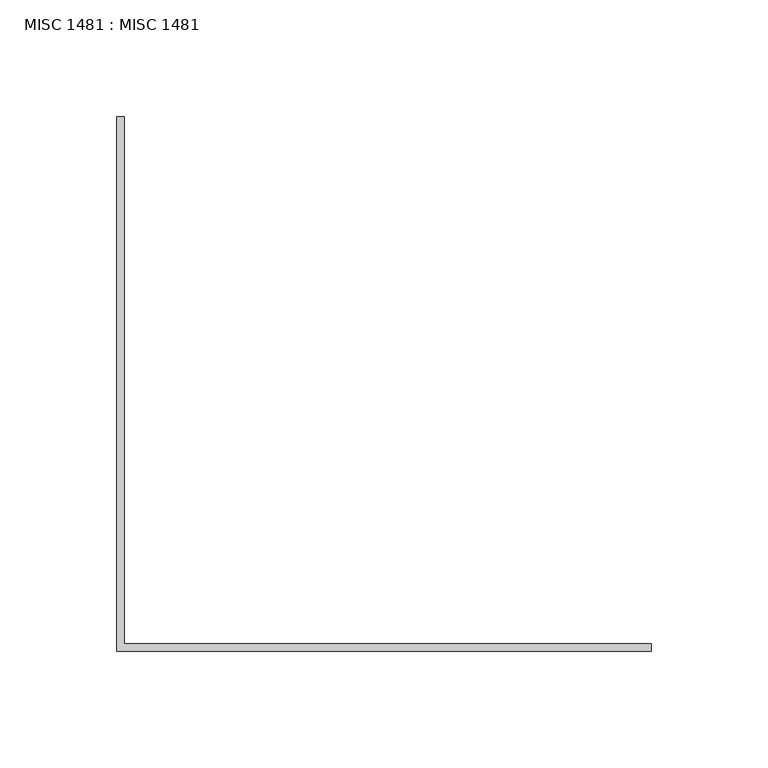
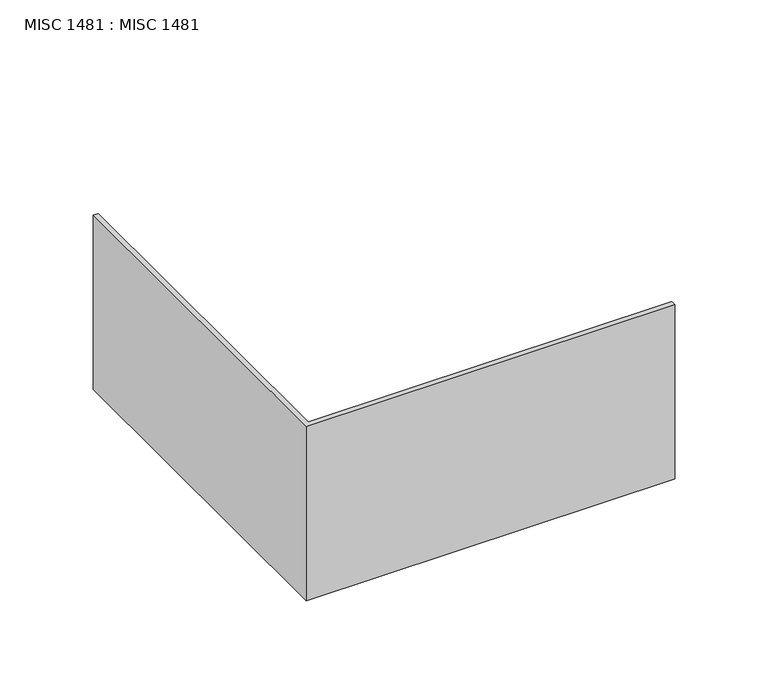
"""IFC4 building model written with IfcOpenShell, lengths in millimetres: beam geometry, MISC 1481 : MISC 1481."""

from ifc_helpers import new_model, si_unit, frame, origin, place, context, project, spatial, polyline, outline, extrude, source, transform, mapped, element, save


def misc_1481_misc_1481_f75165e3(model_context):
    return source(origin(), model_context, "Body", "SweptSolid", [
        extrude(outline(polyline([(-1.5874985, 2095.5), (1.5875015, 2095.5), (1.5875015, 1870.0749939), (227.0125076, 1870.0749939), (227.0125076, 1866.8999939), (-1.5874985, 1866.8999939), (-1.5874985, 2095.5)])), frame((0.0, 0.0, -130.175), z_axis=(0.0, 0.0, 1.0), x_axis=(1.0, 0.0, 0.0)), (0.0, 0.0, 1.0), 114.3),
    ])


if __name__ == "__main__":
    model = new_model("IFC4")
    model_context = context("Model", 3, world=origin())
    ifc_project = project(units=[si_unit("LENGTHUNIT", "METRE", prefix="MILLI")], contexts=[model_context])
    site = spatial("IfcSite", under=ifc_project)
    building = spatial("IfcBuilding", under=site)
    placement = place(None, origin())
    misc_1481_misc_1481_shape = misc_1481_misc_1481_f75165e3(model_context)
    element("IfcBeam", 1, ObjectType="MISC 1481 : MISC 1481", at=placement, inside=building, context=model_context, shape_type="MappedRepresentation", body=[
        mapped(misc_1481_misc_1481_shape, transform((0.0, 0.0, 0.0), x_axis=(1.0, 0.0, 0.0), y_axis=(0.0, 1.0, 0.0), z_axis=(0.0, 0.0, 1.0))),
    ])
    save(model, "model.ifc")
